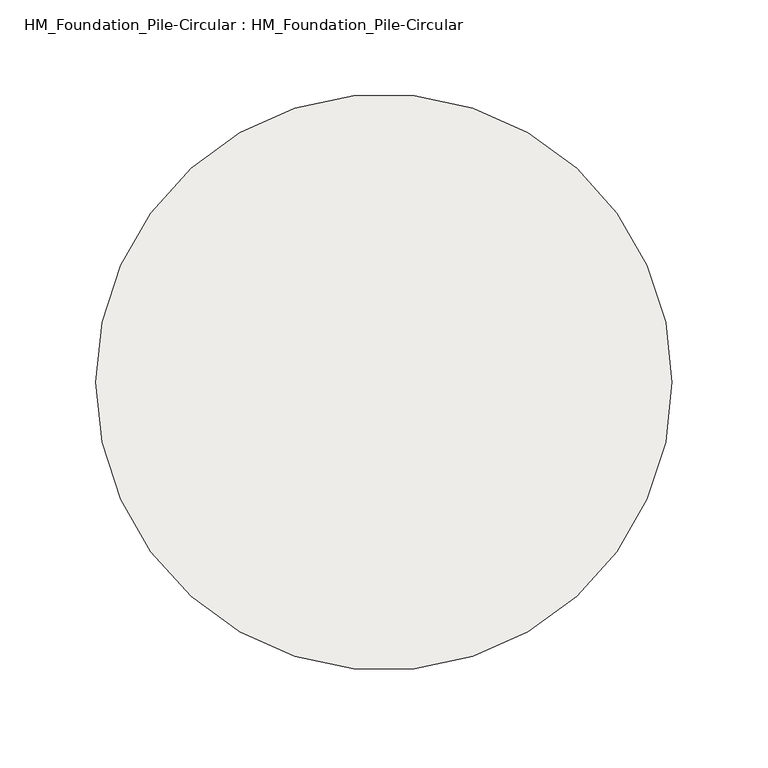
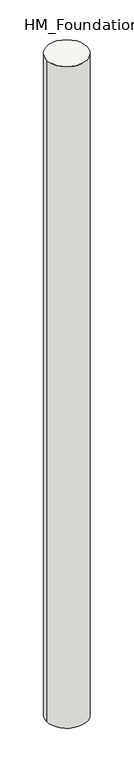
"""IFC4 building model written with IfcOpenShell, lengths in millimetres: slab geometry, HM_Foundation_Pile-Circular : HM_Foundation_Pile-Circular."""

from ifc_helpers import new_model, si_unit, point, frame, origin, origin_2d, place, context, project, spatial, circle_curve, trimmed, segment, composite_curve, outline, extrude, source, transform, mapped, element, save


def hm_foundation_pile_circular_hm_foundation_pile_circular_5ca6970e(model_context):
    return source(origin(), model_context, "Body", "SweptSolid", [
        extrude(outline(composite_curve([segment(trimmed(circle_curve(origin_2d(), 150.0), [point((150.0, 0.0))], [point((-150.0, 0.0))], False, "CARTESIAN"), True, "CONTINUOUS"), segment(trimmed(circle_curve(origin_2d(), 150.0), [point((-150.0, 0.0))], [point((150.0, 0.0))], False, "CARTESIAN"), True, "CONTINUOUS")], self_intersect=False)), frame((0.0, 0.0, -5000.0), z_axis=(0.0, 0.0, 1.0), x_axis=(1.0, 0.0, 0.0)), (0.0, 0.0, 1.0), 5150.0),
    ])


if __name__ == "__main__":
    model = new_model("IFC4")
    model_context = context("Model", 3, world=origin())
    ifc_project = project(units=[si_unit("LENGTHUNIT", "METRE", prefix="MILLI")], contexts=[model_context])
    site = spatial("IfcSite", under=ifc_project)
    building = spatial("IfcBuilding", under=site)
    placement = place(None, origin())
    hm_foundation_pile_circular_hm_foundation_pile_circular_shape = hm_foundation_pile_circular_hm_foundation_pile_circular_5ca6970e(model_context)
    element("IfcSlab", 1, ObjectType="HM_Foundation_Pile-Circular : HM_Foundation_Pile-Circular", at=placement, inside=building, context=model_context, shape_type="MappedRepresentation", body=[
        mapped(hm_foundation_pile_circular_hm_foundation_pile_circular_shape, transform((0.0, 0.0, 0.0), x_axis=(1.0, 0.0, 0.0), y_axis=(0.0, 1.0, 0.0), z_axis=(0.0, 0.0, 1.0))),
    ])
    save(model, "model.ifc")
